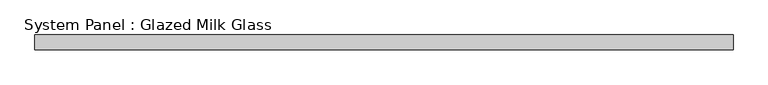
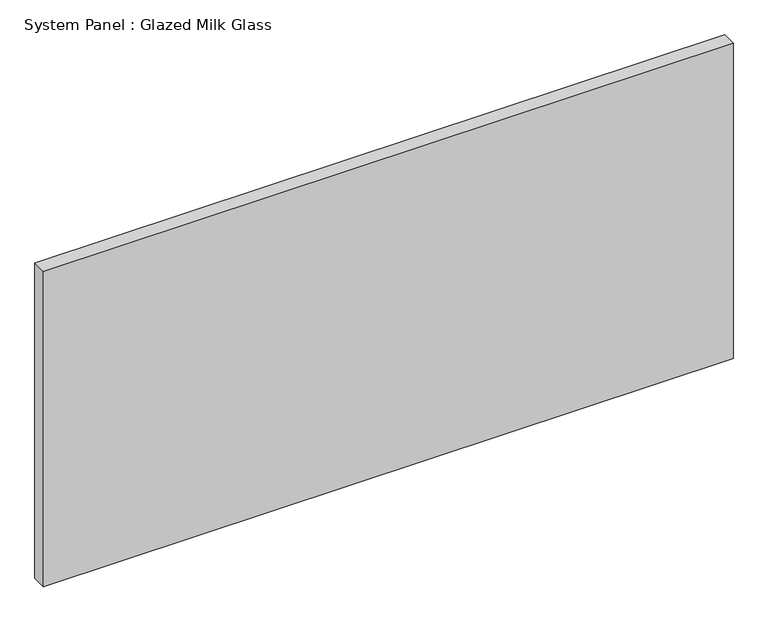
"""IFC4 building model written with IfcOpenShell, lengths in millimetres: plate geometry, System Panel : Glazed Milk Glass."""

from ifc_helpers import new_model, si_unit, origin, origin_with_axes, place, context, project, spatial, polyline, outline, extrude, source, transform, mapped, element, save


def system_panel_glazed_milk_glass_c81685f5(model_context):
    return source(origin(), model_context, "Body", "SweptSolid", [
        extrude(outline(polyline([(592.4999998, -12.5), (-592.4999998, -12.5), (-592.4999998, 12.5), (592.4999998, 12.5), (592.4999998, -12.5)])), origin_with_axes(), (0.0, 0.0, 1.0), 573.0),
    ])


if __name__ == "__main__":
    model = new_model("IFC4")
    model_context = context("Model", 3, world=origin())
    ifc_project = project(units=[si_unit("LENGTHUNIT", "METRE", prefix="MILLI")], contexts=[model_context])
    site = spatial("IfcSite", under=ifc_project)
    building = spatial("IfcBuilding", under=site)
    placement = place(None, origin())
    system_panel_glazed_milk_glass_shape = system_panel_glazed_milk_glass_c81685f5(model_context)
    element("IfcPlate", 1, ObjectType="System Panel : Glazed Milk Glass", at=placement, inside=building, context=model_context, shape_type="MappedRepresentation", body=[
        mapped(system_panel_glazed_milk_glass_shape, transform((0.0, 0.0, 0.0), x_axis=(1.0, 0.0, 0.0), y_axis=(0.0, 1.0, 0.0), z_axis=(0.0, 0.0, 1.0))),
    ])
    save(model, "model.ifc")
